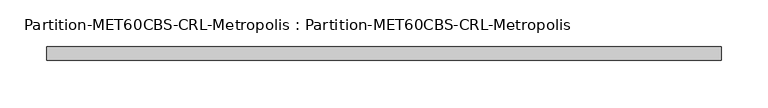
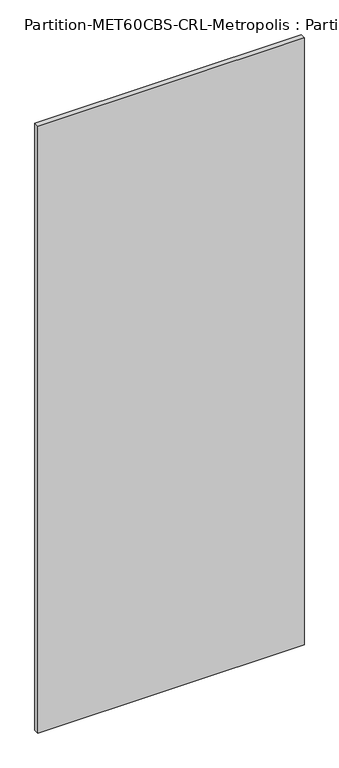
"""IFC4 building model written with IfcOpenShell, lengths in millimetres: plate geometry, Partition-MET60CBS-CRL-Metropolis : Partition-MET60CBS-CRL-Metropolis."""

from ifc_helpers import new_model, si_unit, frame, origin, place, context, project, spatial, polyline, outline, extrude, source, transform, mapped, element, save


def partition_met60cbs_crl_metropolis_partition_met60cbs_crl_8bb54e2b(model_context):
    return source(origin(), model_context, "Body", "SweptSolid", [
        extrude(outline(polyline([(358.775, 98.425), (-358.775, 98.425), (-358.775, 112.7125), (358.775, 112.7125), (358.775, 98.425)])), frame((0.0, 0.0, 98.425), z_axis=(0.0, 0.0, 1.0), x_axis=(1.0, 0.0, 0.0)), (0.0, 0.0, 1.0), 1730.375),
    ])


if __name__ == "__main__":
    model = new_model("IFC4")
    model_context = context("Model", 3, world=origin())
    ifc_project = project(units=[si_unit("LENGTHUNIT", "METRE", prefix="MILLI")], contexts=[model_context])
    site = spatial("IfcSite", under=ifc_project)
    building = spatial("IfcBuilding", under=site)
    placement = place(None, origin())
    partition_met60cbs_crl_metropolis_partition_met60cbs_crl_shape = partition_met60cbs_crl_metropolis_partition_met60cbs_crl_8bb54e2b(model_context)
    element("IfcPlate", 1, ObjectType="Partition-MET60CBS-CRL-Metropolis : Partition-MET60CBS-CRL-Metropolis", at=placement, inside=building, context=model_context, shape_type="MappedRepresentation", body=[
        mapped(partition_met60cbs_crl_metropolis_partition_met60cbs_crl_shape, transform((0.0, 0.0, 0.0), x_axis=(1.0, 0.0, 0.0), y_axis=(0.0, 1.0, 0.0), z_axis=(0.0, 0.0, 1.0))),
    ])
    save(model, "model.ifc")
